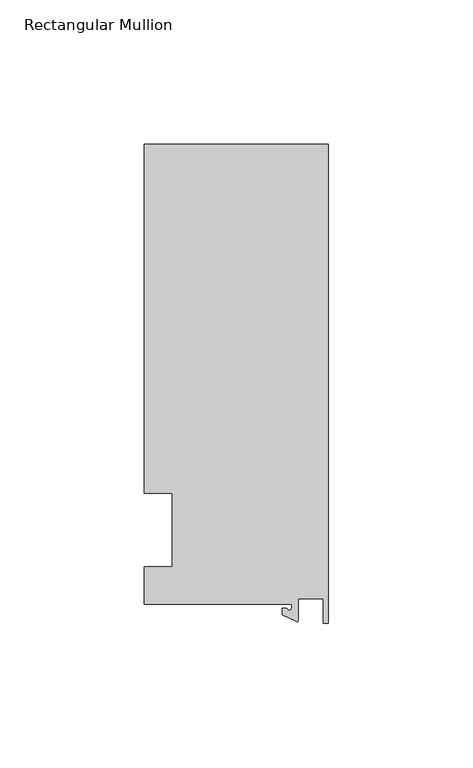
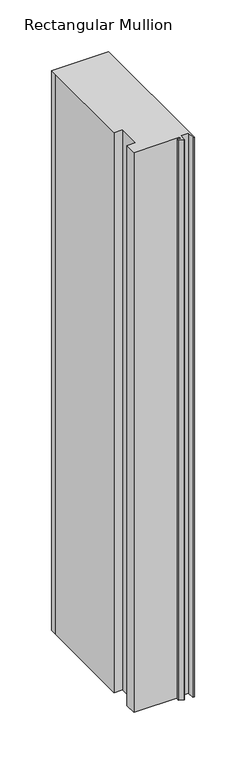
"""IFC4 building model written with IfcOpenShell, lengths in millimetres: member geometry, Rectangular Mullion."""

from ifc_helpers import new_model, si_unit, point, frame, frame_2d, origin, place, context, project, spatial, polyline, circle_curve, trimmed, segment, composite_curve, outline, extrude, source, transform, mapped, element, save


def rectangular_mullion_6c12e8ce(model_context):
    return source(origin(), model_context, "Body", "SweptSolid", [
        extrude(outline(composite_curve([segment(polyline([(-12.6173814, -25.796875), (-63.5, -25.796875), (-63.5, -12.7), (-53.975, -12.7), (-53.975, 12.7), (-63.5, 12.7), (-63.5, 125.8114907), (-63.5, 133.34365), (0.0, 133.34365), (0.0, -32.288874), (-1.5658966, -32.288874), (-1.7144124, -23.9227662), (-10.2297814, -23.9227662), (-10.2297814, -31.2414327)]), True, "CONTINUOUS"), segment(trimmed(circle_curve(frame_2d((-10.7377814, -31.2414327)), 0.508), [point((-10.2297814, -31.2414327))], [point((-10.9524715, -31.7018371))], False, "CARTESIAN"), True, "CONTINUOUS"), segment(polyline([(-10.9524715, -31.7018371), (-15.7923814, -29.44495), (-15.7923814, -27.0827507), (-14.2048814, -27.0827507)]), True, "CONTINUOUS"), segment(trimmed(circle_curve(frame_2d((-13.4111314, -27.0827507)), 0.79375), [point((-14.2048814, -27.0827507))], [point((-12.6173814, -27.0827507))], True, "CARTESIAN"), True, "CONTINUOUS"), segment(polyline([(-12.6173814, -27.0827507), (-12.6173814, -25.796875)]), True, "CONTINUOUS")], self_intersect=False)), frame((0.0, 0.0, -660.4), z_axis=(0.0, 0.0, 1.0), x_axis=(1.0, 0.0, 0.0)), (0.0, 0.0, 1.0), 660.4),
    ])


if __name__ == "__main__":
    model = new_model("IFC4")
    model_context = context("Model", 3, world=origin())
    ifc_project = project(units=[si_unit("LENGTHUNIT", "METRE", prefix="MILLI")], contexts=[model_context])
    site = spatial("IfcSite", under=ifc_project)
    building = spatial("IfcBuilding", under=site)
    placement = place(None, origin())
    rectangular_mullion_shape = rectangular_mullion_6c12e8ce(model_context)
    element("IfcMember", 1, ObjectType="Rectangular Mullion", at=placement, inside=building, context=model_context, shape_type="MappedRepresentation", body=[
        mapped(rectangular_mullion_shape, transform((0.0, 0.0, 0.0), x_axis=(1.0, 0.0, 0.0), y_axis=(0.0, 1.0, 0.0), z_axis=(0.0, 0.0, 1.0))),
    ])
    save(model, "model.ifc")
